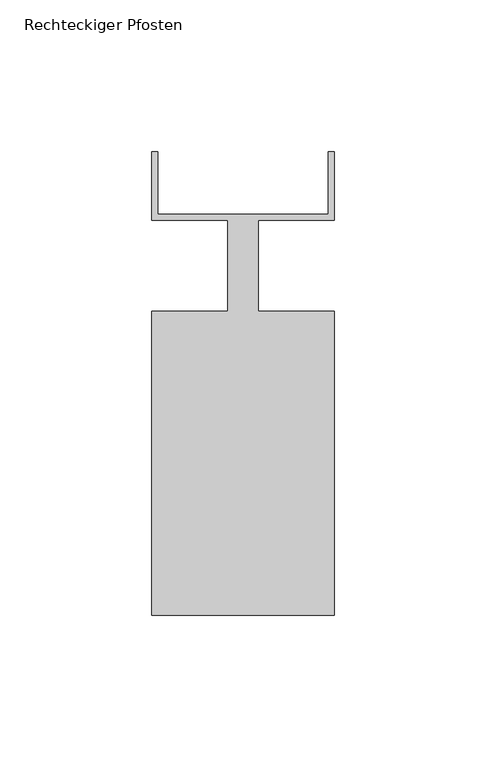
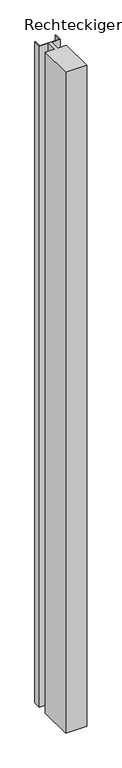
"""IFC4 building model written with IfcOpenShell, lengths in millimetres: member geometry, Rechteckiger Pfosten."""

from ifc_helpers import new_model, si_unit, frame, origin, place, context, project, spatial, polyline, outline, extrude, source, transform, mapped, element, save


def rechteckiger_pfosten_48bbca14(model_context):
    return source(origin(), model_context, "Body", "SweptSolid", [
        extrude(outline(polyline([(28.0, 37.5), (30.0, 37.5), (30.0, 15.0), (5.0, 15.0), (5.0, -15.0), (30.0, -15.0), (30.0, -115.0), (-30.0, -115.0), (-30.0, -15.0), (-5.0, -15.0), (-5.0, 15.0), (-30.0, 15.0), (-30.0, 37.5), (-28.0, 37.5), (-28.0, 17.0), (28.0, 17.0), (28.0, 37.5)])), frame((0.0, 0.0, -2000.0), z_axis=(0.0, 0.0, 1.0), x_axis=(1.0, 0.0, 0.0)), (0.0, 0.0, 1.0), 2000.0),
    ])


if __name__ == "__main__":
    model = new_model("IFC4")
    model_context = context("Model", 3, world=origin())
    ifc_project = project(units=[si_unit("LENGTHUNIT", "METRE", prefix="MILLI")], contexts=[model_context])
    site = spatial("IfcSite", under=ifc_project)
    building = spatial("IfcBuilding", under=site)
    placement = place(None, origin())
    rechteckiger_pfosten_shape = rechteckiger_pfosten_48bbca14(model_context)
    element("IfcMember", 1, ObjectType="Rechteckiger Pfosten", at=placement, inside=building, context=model_context, shape_type="MappedRepresentation", body=[
        mapped(rechteckiger_pfosten_shape, transform((0.0, 0.0, 0.0), x_axis=(1.0, 0.0, 0.0), y_axis=(0.0, 1.0, 0.0), z_axis=(0.0, 0.0, 1.0))),
    ])
    save(model, "model.ifc")
